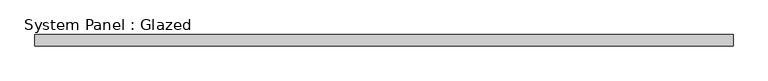
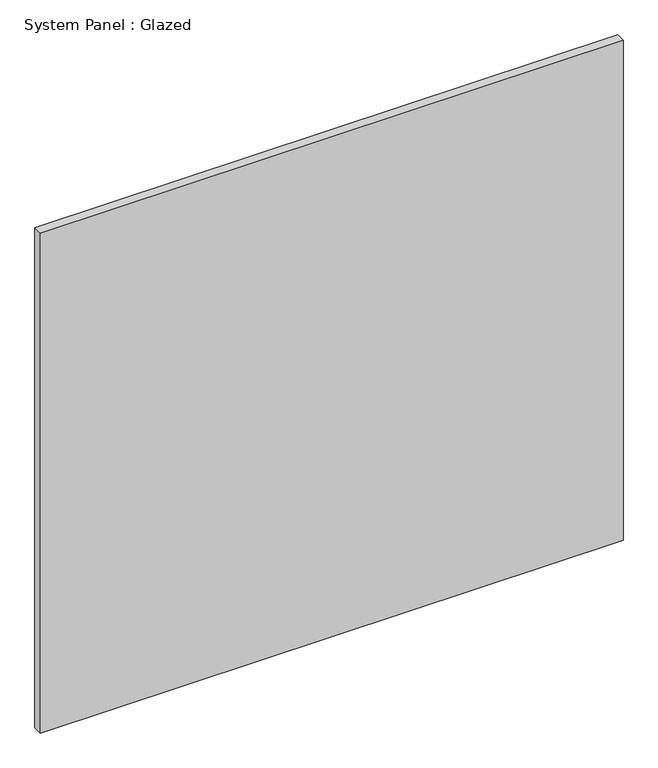
"""IFC4 building model written with IfcOpenShell, lengths in millimetres: plate geometry, System Panel : Glazed."""

from ifc_helpers import new_model, si_unit, origin, origin_with_axes, place, context, project, spatial, polyline, outline, extrude, source, transform, mapped, element, save


def system_panel_glazed_744baa37(model_context):
    return source(origin(), model_context, "Body", "SweptSolid", [
        extrude(outline(polyline([(769.0628487, 24.5), (-769.0628487, 24.5), (-769.0628487, 49.5), (769.0628487, 49.5), (769.0628487, 24.5)])), origin_with_axes(), (0.0, 0.0, 1.0), 1395.0),
    ])


if __name__ == "__main__":
    model = new_model("IFC4")
    model_context = context("Model", 3, world=origin())
    ifc_project = project(units=[si_unit("LENGTHUNIT", "METRE", prefix="MILLI")], contexts=[model_context])
    site = spatial("IfcSite", under=ifc_project)
    building = spatial("IfcBuilding", under=site)
    placement = place(None, origin())
    system_panel_glazed_shape = system_panel_glazed_744baa37(model_context)
    element("IfcPlate", 1, ObjectType="System Panel : Glazed", at=placement, inside=building, context=model_context, shape_type="MappedRepresentation", body=[
        mapped(system_panel_glazed_shape, transform((0.0, 0.0, 0.0), x_axis=(1.0, 0.0, 0.0), y_axis=(0.0, 1.0, 0.0), z_axis=(0.0, 0.0, 1.0))),
    ])
    save(model, "model.ifc")
